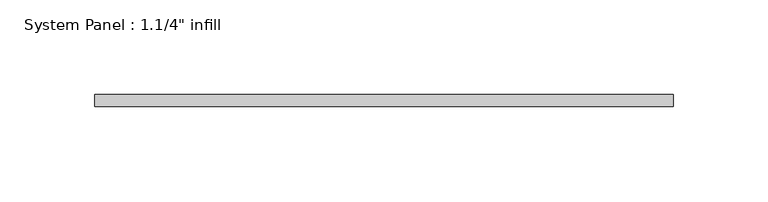
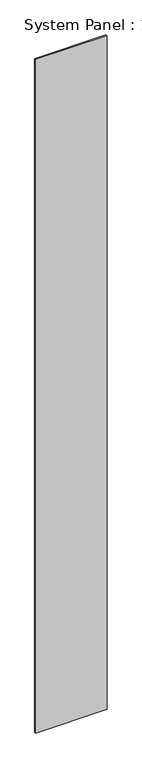
"""IFC4 building model written with IfcOpenShell, lengths in millimetres: plate geometry."""

from ifc_helpers import new_model, si_unit, origin, origin_with_axes, place, context, project, spatial, polyline, outline, extrude, source, transform, mapped, element, save


def plate_c325475d(model_context):
    return source(origin(), model_context, "Body", "SweptSolid", [
        extrude(outline(polyline([(153.0454829, -0.0992187), (-153.0454829, -0.0992187), (-153.0454829, 6.2507813), (153.0454829, 6.2507813), (153.0454829, -0.0992187)])), origin_with_axes(), (0.0, 0.0, 1.0), 3048.0),
    ])


if __name__ == "__main__":
    model = new_model("IFC4")
    model_context = context("Model", 3, world=origin())
    ifc_project = project(units=[si_unit("LENGTHUNIT", "METRE", prefix="MILLI")], contexts=[model_context])
    site = spatial("IfcSite", under=ifc_project)
    building = spatial("IfcBuilding", under=site)
    placement = place(None, origin())
    plate_shape = plate_c325475d(model_context)
    element("IfcPlate", 1, ObjectType="System Panel : 1.1/4\" infill", at=placement, inside=building, context=model_context, shape_type="MappedRepresentation", body=[
        mapped(plate_shape, transform((0.0, 0.0, 0.0), x_axis=(1.0, 0.0, 0.0), y_axis=(0.0, 1.0, 0.0), z_axis=(0.0, 0.0, 1.0))),
    ])
    save(model, "model.ifc")
